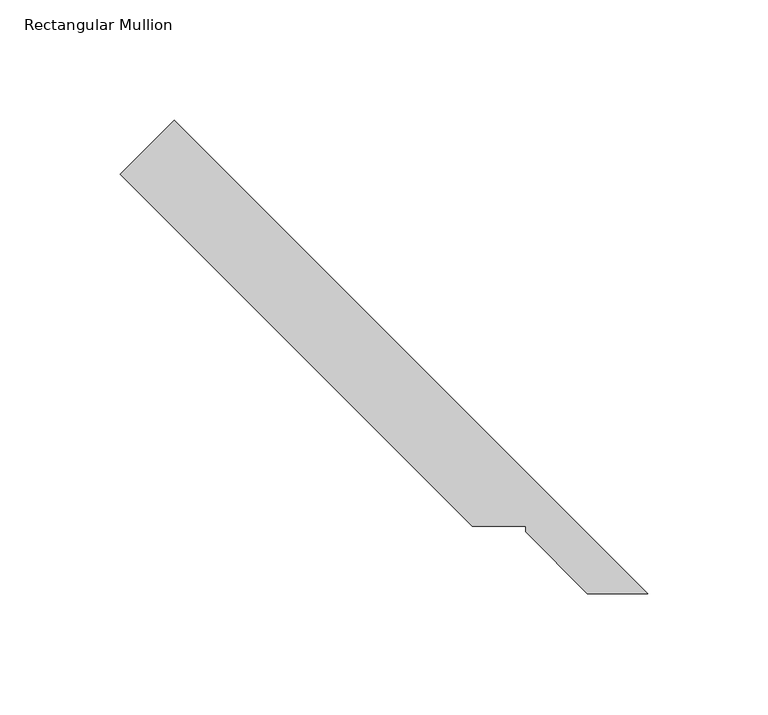
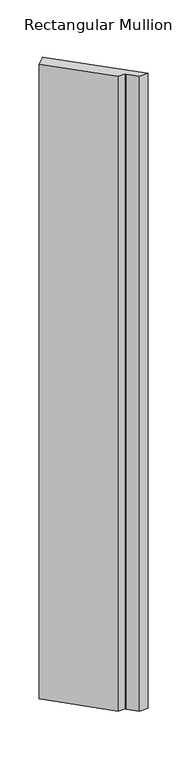
"""IFC4 building model written with IfcOpenShell, lengths in millimetres: member geometry, Rectangular Mullion."""

from ifc_helpers import new_model, si_unit, frame, origin, place, context, project, spatial, polyline, outline, extrude, source, transform, mapped, element, save


def rectangular_mullion_56b37319(model_context):
    return source(origin(), model_context, "Body", "SweptSolid", [
        extrude(outline(polyline([(-215.2737965, 215.2737965), (-18.7795466, 18.7795466), (-43.8506461, 18.7795466), (-69.3587299, 44.3964492), (-69.3587299, 46.6824492), (-91.5837298, 46.6824492), (-237.7244368, 192.8231562), (-215.2737965, 215.2737965)])), frame((0.0, 0.0, -1965.3123), z_axis=(0.0, 0.0, 1.0), x_axis=(1.0, 0.0, 0.0)), (0.0, 0.0, 1.0), 1965.3123),
    ])


if __name__ == "__main__":
    model = new_model("IFC4")
    model_context = context("Model", 3, world=origin())
    ifc_project = project(units=[si_unit("LENGTHUNIT", "METRE", prefix="MILLI")], contexts=[model_context])
    site = spatial("IfcSite", under=ifc_project)
    building = spatial("IfcBuilding", under=site)
    placement = place(None, origin())
    rectangular_mullion_shape = rectangular_mullion_56b37319(model_context)
    element("IfcMember", 1, ObjectType="Rectangular Mullion", at=placement, inside=building, context=model_context, shape_type="MappedRepresentation", body=[
        mapped(rectangular_mullion_shape, transform((0.0, 0.0, 0.0), x_axis=(1.0, 0.0, 0.0), y_axis=(0.0, 1.0, 0.0), z_axis=(0.0, 0.0, 1.0))),
    ])
    save(model, "model.ifc")
